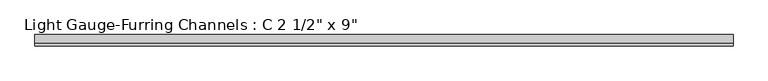
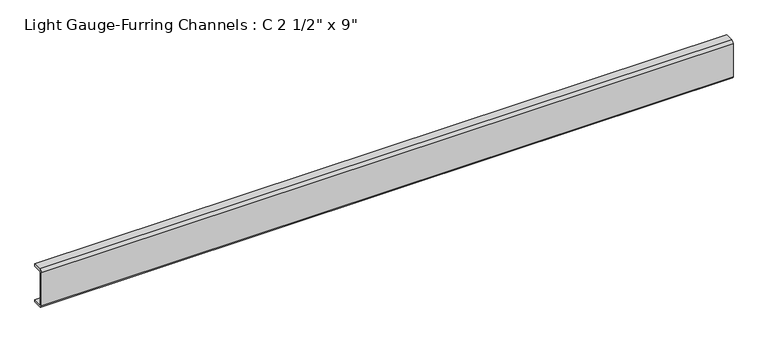
"""IFC4 building model written with IfcOpenShell, lengths in millimetres: beam geometry."""

from ifc_helpers import new_model, si_unit, point, frame, frame_2d, origin, place, context, project, spatial, polyline, circle_curve, trimmed, segment, composite_curve, outline, extrude, source, transform, mapped, element, save


def beam_7e08b07b(model_context):
    return source(origin(), model_context, "Body", "SweptSolid", [
        extrude(outline(composite_curve([segment(polyline([(0.0, -100.0125), (0.0, 100.0125)]), True, "CONTINUOUS"), segment(trimmed(circle_curve(frame_2d((14.2875, 100.0125)), 14.2875), [point((0.0, 100.0125))], [point((14.2875, 114.3))], False, "CARTESIAN"), True, "CONTINUOUS"), segment(polyline([(14.2875, 114.3), (63.5, 114.3), (63.5, 101.6), (14.2875, 101.6)]), True, "CONTINUOUS"), segment(trimmed(circle_curve(frame_2d((14.2875, 100.0125)), 1.5875), [point((14.2875, 101.6))], [point((12.7, 100.0125))], True, "CARTESIAN"), True, "CONTINUOUS"), segment(polyline([(12.7, 100.0125), (12.7, -100.0125)]), True, "CONTINUOUS"), segment(trimmed(circle_curve(frame_2d((14.2875, -100.0125)), 1.5875), [point((12.7, -100.0125))], [point((14.2875, -101.6))], True, "CARTESIAN"), True, "CONTINUOUS"), segment(polyline([(14.2875, -101.6), (63.5, -101.6), (63.5, -114.3), (14.2875, -114.3)]), True, "CONTINUOUS"), segment(trimmed(circle_curve(frame_2d((14.2875, -100.0125)), 14.2875), [point((14.2875, -114.3))], [point((0.0, -100.0125))], False, "CARTESIAN"), True, "CONTINUOUS")], self_intersect=False)), frame((-1983.2449964, 0.0, 0.0), z_axis=(1.0, 0.0, 0.0), x_axis=(0.0, 1.0, 0.0)), (0.0, 0.0, 1.0), 3966.4899928),
    ])


if __name__ == "__main__":
    model = new_model("IFC4")
    model_context = context("Model", 3, world=origin())
    ifc_project = project(units=[si_unit("LENGTHUNIT", "METRE", prefix="MILLI")], contexts=[model_context])
    site = spatial("IfcSite", under=ifc_project)
    building = spatial("IfcBuilding", under=site)
    placement = place(None, origin())
    beam_shape = beam_7e08b07b(model_context)
    element("IfcBeam", 1, ObjectType="Light Gauge-Furring Channels : C 2 1/2\" x 9\"", at=placement, inside=building, context=model_context, shape_type="MappedRepresentation", body=[
        mapped(beam_shape, transform((0.0, 0.0, 0.0), x_axis=(1.0, 0.0, 0.0), y_axis=(0.0, 1.0, 0.0), z_axis=(0.0, 0.0, 1.0))),
    ])
    save(model, "model.ifc")
